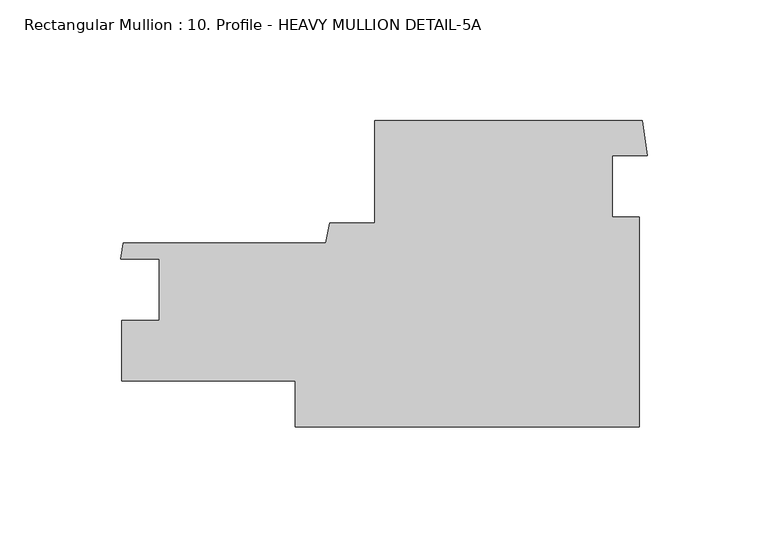
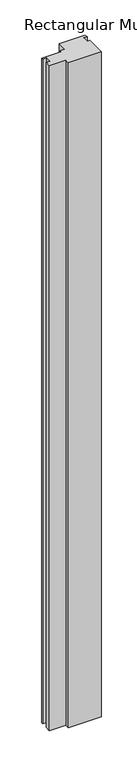
"""IFC4 building model written with IfcOpenShell, lengths in millimetres: member geometry, Rectangular Mullion : 10. Profile - HEAVY MULLION DETAIL-5A."""

from ifc_helpers import new_model, si_unit, frame, origin, place, context, project, spatial, polyline, outline, extrude, source, transform, mapped, element, save


def rectangular_mullion_10_profile_heavy_mullion_detail_5a_a7dc825c(model_context):
    return source(origin(), model_context, "Body", "SweptSolid", [
        extrude(outline(polyline([(-112.9452407, 72.821925), (-2.0546584, 72.821925), (0.0, 58.3251682), (-14.5075407, 58.3251682), (-14.5075407, 32.8976247), (-3.3950407, 32.8976247), (-3.3950407, -54.178075), (-145.6728521, -54.178075), (-145.6728521, -35.137041), (-217.7099221, -35.137041), (-217.7099221, -9.952406), (-202.0889221, -9.952406), (-202.0889221, 15.4470591), (-218.0265488, 15.4470591), (-216.9074187, 22.012856), (-133.0440659, 22.012856), (-131.5734514, 30.353125), (-112.9452407, 30.353125), (-112.9452407, 72.821925)])), frame((0.0, 0.0, -3048.0), z_axis=(0.0, 0.0, 1.0), x_axis=(1.0, 0.0, 0.0)), (0.0, 0.0, 1.0), 3048.0),
    ])


if __name__ == "__main__":
    model = new_model("IFC4")
    model_context = context("Model", 3, world=origin())
    ifc_project = project(units=[si_unit("LENGTHUNIT", "METRE", prefix="MILLI")], contexts=[model_context])
    site = spatial("IfcSite", under=ifc_project)
    building = spatial("IfcBuilding", under=site)
    placement = place(None, origin())
    rectangular_mullion_10_profile_heavy_mullion_detail_5a_shape = rectangular_mullion_10_profile_heavy_mullion_detail_5a_a7dc825c(model_context)
    element("IfcMember", 1, ObjectType="Rectangular Mullion : 10. Profile - HEAVY MULLION DETAIL-5A", at=placement, inside=building, context=model_context, shape_type="MappedRepresentation", body=[
        mapped(rectangular_mullion_10_profile_heavy_mullion_detail_5a_shape, transform((0.0, 0.0, 0.0), x_axis=(1.0, 0.0, 0.0), y_axis=(0.0, 1.0, 0.0), z_axis=(0.0, 0.0, 1.0))),
    ])
    save(model, "model.ifc")
